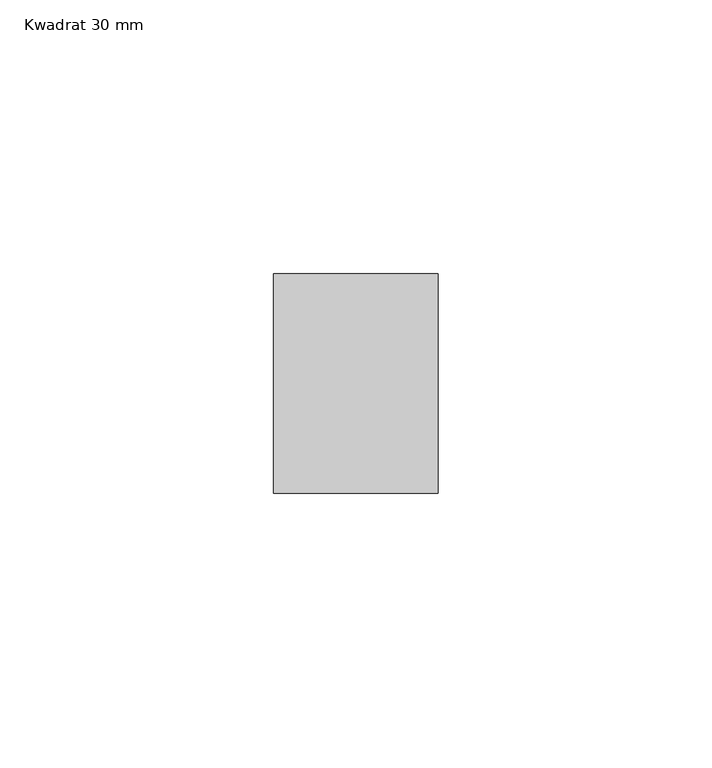
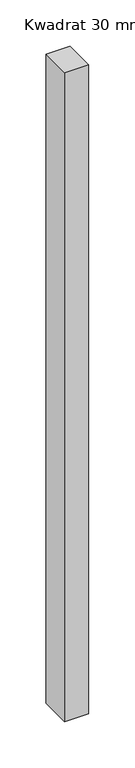
"""IFC4 building model written with IfcOpenShell, lengths in millimetres: member geometry, Kwadrat 30 mm."""

import ifcopenshell
import ifcopenshell.guid

model = None  # the IFC model being written
_history = None  # IfcOwnerHistory: only IFC2X3 demands one
_inside = {}  # id of a spatial element -> (the spatial element, [elements in it])
_under = {}  # id of a project, library or spatial element -> (it, [spatial elements below it])
_declared = {}  # id of a project -> (the project, [libraries it declares])
_typed = {}  # id of a type object -> (the type object, [elements of that type])
_made_of = {}  # id of a material, layer set ... -> (it, [elements and type objects made of it])


def new_model(schema):
    """Start an empty IFC model of exactly this schema.

    Asked for "IFC4X3", IfcOpenShell would pick the latest addendum, in which some entities
    have other attributes; the version numbers below select the first issue.
    IFC2X3 requires an IfcOwnerHistory on every rooted entity: one is made here for all.
    """
    global model, _history
    if schema == "IFC4X3":
        model = ifcopenshell.file(schema_version=(4, 3, 0, 0))
    else:
        model = ifcopenshell.file(schema=schema)
    _inside.clear()
    _under.clear()
    _declared.clear()
    _typed.clear()
    _made_of.clear()
    _history = None
    if model.schema == "IFC2X3":
        org = make("IfcOrganization", Name="unknown")
        user = make(
            "IfcPersonAndOrganization",
            ThePerson=make("IfcPerson", FamilyName="unknown"),
            TheOrganization=org,
        )
        app = make(
            "IfcApplication",
            ApplicationDeveloper=org,
            Version="unknown",
            ApplicationFullName="unknown",
            ApplicationIdentifier="unknown",
        )
        _history = make(
            "IfcOwnerHistory",
            OwningUser=user,
            OwningApplication=app,
            ChangeAction="ADDED",
            CreationDate=0,
        )
    return model


def make(cls, **values):
    """One entity of the class cls with the attributes given. An attribute that is None is left unset."""
    return model.create_entity(
        cls, **{name: value for name, value in values.items() if value is not None}
    )


def rooted(cls, **values):
    """An entity with a GlobalId (a new one), such as an element, a storey or a relation."""
    return make(cls, GlobalId=ifcopenshell.guid.new(), OwnerHistory=_history, **values)


def si_unit(unit_type, name, prefix=None):
    """IfcSIUnit, for example si_unit("LENGTHUNIT", "METRE", prefix="MILLI")."""
    return make("IfcSIUnit", UnitType=unit_type, Prefix=prefix, Name=name)


def assignment(units):
    """IfcUnitAssignment: the units of a project."""
    return None if units is None else make("IfcUnitAssignment", Units=units)


def point(xyz):
    """IfcCartesianPoint."""
    return None if xyz is None else make("IfcCartesianPoint", Coordinates=xyz)


def direction(xyz):
    """IfcDirection."""
    return None if xyz is None else make("IfcDirection", DirectionRatios=xyz)


def frame(location, z_axis=None, x_axis=None):
    """IfcAxis2Placement3D, a coordinate frame: its origin and axes. An axis left out is left unset."""
    return make(
        "IfcAxis2Placement3D",
        Location=point(location),
        Axis=direction(z_axis),
        RefDirection=direction(x_axis),
    )


def origin():
    """The frame at (0, 0, 0) with its axes left unset."""
    return frame((0.0, 0.0, 0.0))


def place(relative_to, where):
    """IfcLocalPlacement: puts the frame where relative to a parent placement (None: the world)."""
    return make(
        "IfcLocalPlacement", PlacementRelTo=relative_to, RelativePlacement=where
    )


def context(
    kind, dimensions, precision=None, world=None, true_north=None, identifier=None
):
    """IfcGeometricRepresentationContext, for example the 3D "Model" context."""
    return make(
        "IfcGeometricRepresentationContext",
        ContextIdentifier=identifier,
        ContextType=kind,
        CoordinateSpaceDimension=dimensions,
        Precision=precision,
        WorldCoordinateSystem=world,
        TrueNorth=true_north,
    )


def project(units=None, contexts=None):
    """IfcProject with its units and contexts."""
    return rooted(
        "IfcProject",
        Name="project",
        RepresentationContexts=contexts,
        UnitsInContext=assignment(units),
    )


def spatial(cls, under=None, at=None, **own):
    """A site, building, storey or space (cls), placed at a placement, below another one or the project."""
    s = rooted(cls, ObjectPlacement=at, **own)
    if under is not None:
        _under.setdefault(under.id(), (under, []))[1].append(s)
    return s


def polyline(points):
    """IfcPolyline through the points."""
    return make("IfcPolyline", Points=[point(p) for p in points])


def outline(outer, holes=None, kind="AREA"):
    """IfcArbitraryClosedProfileDef: a profile drawn as a closed curve; with holes, ...WithVoids."""
    if holes is None:
        return make("IfcArbitraryClosedProfileDef", ProfileType=kind, OuterCurve=outer)
    return make(
        "IfcArbitraryProfileDefWithVoids",
        ProfileType=kind,
        OuterCurve=outer,
        InnerCurves=holes,
    )


def extrude(swept, where, along, depth):
    """IfcExtrudedAreaSolid: the profile swept, set in the frame where, extruded along a direction by depth."""
    return make(
        "IfcExtrudedAreaSolid",
        SweptArea=swept,
        Position=where,
        ExtrudedDirection=direction(along),
        Depth=depth,
    )


def shape(context_of_items, identifier, shape_type, items):
    """IfcShapeRepresentation: the items that make up one representation, for example the "Body"."""
    return make(
        "IfcShapeRepresentation",
        ContextOfItems=context_of_items,
        RepresentationIdentifier=identifier,
        RepresentationType=shape_type,
        Items=items,
    )


def source(mapping_origin, context_of_items, identifier, shape_type, items):
    """IfcRepresentationMap: a shape defined once, which mapped items show again and again."""
    return make(
        "IfcRepresentationMap",
        MappingOrigin=mapping_origin,
        MappedRepresentation=shape(context_of_items, identifier, shape_type, items),
    )


def transform(
    local_origin,
    x_axis=None,
    y_axis=None,
    z_axis=None,
    scale=None,
    scale2=None,
    scale3=None,
    uniform=True,
):
    """IfcCartesianTransformationOperator3D, or its non-uniform kind. x_axis, y_axis, z_axis: its Axis1, 2, 3."""
    if uniform:
        return make(
            "IfcCartesianTransformationOperator3D",
            Axis1=direction(x_axis),
            Axis2=direction(y_axis),
            LocalOrigin=point(local_origin),
            Scale=scale,
            Axis3=direction(z_axis),
        )
    return make(
        "IfcCartesianTransformationOperator3DnonUniform",
        Axis1=direction(x_axis),
        Axis2=direction(y_axis),
        LocalOrigin=point(local_origin),
        Scale=scale,
        Axis3=direction(z_axis),
        Scale2=scale2,
        Scale3=scale3,
    )


def mapped(mapping_source, mapping_target):
    """IfcMappedItem: shows the shape of a source again, moved by a transform."""
    return make(
        "IfcMappedItem", MappingSource=mapping_source, MappingTarget=mapping_target
    )


def made_of(thing, what):
    """Note that an element or type object is made of a material, layer set ...; save() writes the relation."""
    if what is not None:
        _made_of.setdefault(what.id(), (what, []))[1].append(thing)
    return thing


def element(
    cls,
    number,
    at=None,
    inside=None,
    cuts=None,
    type_object=None,
    material=None,
    context=None,
    identifier="Body",
    shape_type=None,
    held_by="IfcProductDefinitionShape",
    body=None,
    shapes=None,
    **own,
):
    """One element of the class cls, such as IfcWall. Its Tag is "e" and its number.

    at: its placement. inside: the storey or other place that contains it. cuts: it is an
    opening in that element (IfcRelVoidsElement). A single representation is given by context,
    identifier, shape_type and body (its items); several are given by shapes. held_by: the class
    of the entity that holds the representations. save() writes the other relations.
    """
    e = rooted(cls, Tag="e%d" % number, ObjectPlacement=at, **own)
    if body is not None:
        shapes = [shape(context, identifier, shape_type, body)]
    if shapes is not None:
        e.Representation = make(held_by, Representations=shapes)
    if inside is not None:
        _inside.setdefault(inside.id(), (inside, []))[1].append(e)
    if cuts is not None:
        rooted(
            "IfcRelVoidsElement", RelatingBuildingElement=cuts, RelatedOpeningElement=e
        )
    if type_object is not None:
        _typed.setdefault(type_object.id(), (type_object, []))[1].append(e)
    return made_of(e, material)


def aggregate(whole, parts):
    """IfcRelAggregates: a whole, such as a stair, and the parts it consists of."""
    return rooted("IfcRelAggregates", RelatingObject=whole, RelatedObjects=parts)


def save(model, path):
    """Write the relations noted so far, then the file.

    IfcRelAggregates (storeys below a building ...), IfcRelContainedInSpatialStructure (elements
    in a storey), IfcRelDefinesByType, IfcRelAssociatesMaterial and IfcRelDeclares: one each for
    every whole, place, type object, material and project.
    """
    for whole, parts in _under.values():
        aggregate(whole, parts)
    for where, things in _inside.values():
        rooted(
            "IfcRelContainedInSpatialStructure",
            RelatedElements=things,
            RelatingStructure=where,
        )
    for kind, things in _typed.values():
        rooted("IfcRelDefinesByType", RelatedObjects=things, RelatingType=kind)
    for what, things in _made_of.values():
        rooted("IfcRelAssociatesMaterial", RelatedObjects=things, RelatingMaterial=what)
    for by, libraries in _declared.values():
        rooted("IfcRelDeclares", RelatingContext=by, RelatedDefinitions=libraries)
    model.write(path)


def kwadrat_30_mm_ce6e484d(model_context):
    return source(origin(), model_context, "Body", "SweptSolid", [
        extrude(outline(polyline([(0.0, 20.0), (0.0, -20.0), (-30.0, -20.0), (-30.0, 20.0), (0.0, 20.0)])), frame((0.0, 0.0, -855.0), z_axis=(0.0, 0.0, 1.0), x_axis=(1.0, 0.0, 0.0)), (0.0, 0.0, 1.0), 855.0),
    ])


if __name__ == "__main__":
    model = new_model("IFC4")
    model_context = context("Model", 3, world=origin())
    ifc_project = project(units=[si_unit("LENGTHUNIT", "METRE", prefix="MILLI")], contexts=[model_context])
    site = spatial("IfcSite", under=ifc_project)
    building = spatial("IfcBuilding", under=site)
    placement = place(None, origin())
    kwadrat_30_mm_shape = kwadrat_30_mm_ce6e484d(model_context)
    element("IfcMember", 1, ObjectType="Kwadrat 30 mm", at=placement, inside=building, context=model_context, shape_type="MappedRepresentation", body=[
        mapped(kwadrat_30_mm_shape, transform((0.0, 0.0, 0.0), x_axis=(1.0, 0.0, 0.0), y_axis=(0.0, 1.0, 0.0), z_axis=(0.0, 0.0, 1.0))),
    ])
    save(model, "model.ifc")
